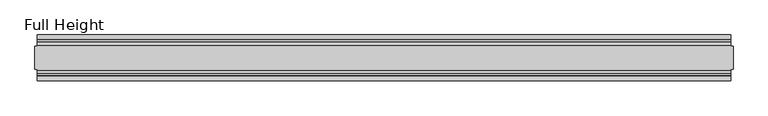
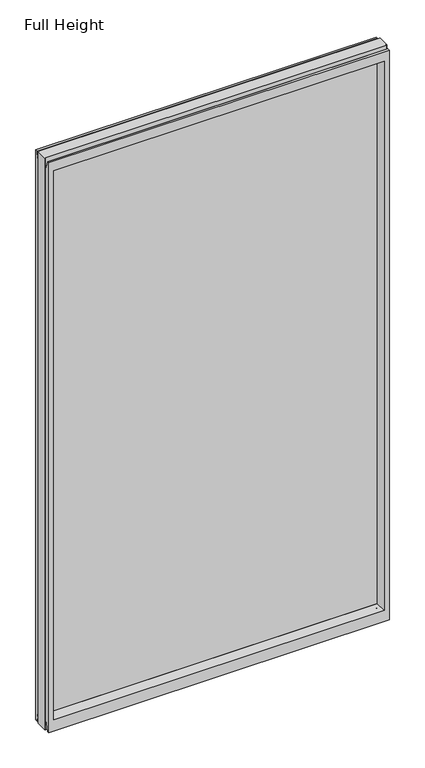
"""IFC4 building model written with IfcOpenShell, lengths in millimetres: plate geometry, Full Height."""

from ifc_helpers import new_model, si_unit, frame, origin, place, context, project, spatial, polyline, circle_curve, outline, extrude, source, transform, mapped, element, save
from ifc_brep_helpers import plane_surface, cylinder_surface, revolved_surface, advanced_brep


def full_height_14ec4e4e(model_context):
    return source(origin(), model_context, "Body", "SolidModel", [
        advanced_brep(
        [(762.0, 25.146, 2688.336), (757.428, 25.146, 2688.336), (757.428, 26.67, 2688.336), (-757.428, 26.67, 2688.336), (-757.428, 25.146, 2688.336), (-762.0, 25.146, 2688.336), (-762.0, -25.146, 2688.336), (-757.428, -25.146, 2688.336), (-757.428, -26.67, 2688.336), (757.428, -26.67, 2688.336), (757.428, -25.146, 2688.336), (762.0, -25.146, 2688.336), (762.0, 25.146, 0.0), (762.0, -25.146, 0.0), (757.428, -25.146, 0.0), (757.428, -26.67, 0.0), (-757.428, -26.67, 0.0), (-757.428, -25.146, 0.0), (-762.0, -25.146, 0.0), (-762.0, 25.146, 0.0), (-757.428, 25.146, 0.0), (-757.428, 26.67, 0.0), (757.428, 26.67, 0.0), (757.428, 25.146, 0.0), (-757.428, 40.7946686, 0.0), (-757.428, 50.0, 0.0), (757.428, 50.0, 0.0), (757.428, 40.7946686, 0.0), (-757.428, 26.67, 36.4542208), (757.428, 26.67, 36.4542208), (-757.428, -26.67, 36.4542208), (-757.428, -34.2686707, 36.8568054), (-757.428, -36.9464913, 11.6561909), (-757.428, -39.043018, 8.6755976), (-757.428, -39.5246686, 7.9074686), (-757.428, -39.5246686, 1.27), (-757.428, -40.7946686, 0.0), (-757.428, -50.0, 0.0), (-757.428, -50.0, 2679.192), (-757.428, -39.9371387, 2679.192), (-757.428, -39.1867152, 2678.5623199), (-757.428, -34.2321175, 2650.4634004), (-757.428, -26.67, 2651.125), (-757.428, 39.5246686, 1.27), (-757.428, 39.5246686, 7.9074686), (-757.428, 39.043018, 8.6755976), (-757.428, 36.9464913, 11.6561909), (-757.428, 34.2686707, 36.8568054), (-757.428, 26.67, 2651.125), (-757.428, 34.2321175, 2650.4634004), (-757.428, 39.1867152, 2678.5623199), (-757.428, 39.9371387, 2679.192), (-757.428, 50.0, 2679.192), (757.428, -50.0, 0.0), (757.428, -50.0, 2679.192), (-735.33, -50.0, 2634.615), (735.33, -50.0, 2634.615), (735.33, -50.0, 52.8372208), (-735.33, -50.0, 52.8372208), (757.428, 50.0, 2679.192), (-735.33, 50.0, 52.8372208), (735.33, 50.0, 52.8372208), (735.33, 50.0, 2634.615), (-735.33, 50.0, 2634.615), (-729.361, -6.1006519, 58.8062208), (-729.361, -6.1006519, 2628.646), (-729.361, 6.1006519, 2628.646), (-729.361, 6.1006519, 58.8062208), (729.361, 6.1006519, 58.8062208), (729.361, 6.1006519, 2628.646), (729.361, -6.1006519, 2628.646), (729.361, -6.1006519, 58.8062208), (757.428, -40.7946686, 0.0), (757.428, -39.5246686, 1.27), (757.428, -39.5246686, 7.9074686), (757.428, -39.043018, 8.6755976), (757.428, -36.9464913, 11.6561909), (757.428, -34.2686707, 36.8568054), (757.428, -26.67, 36.4542208), (757.428, -26.67, 2651.125), (757.428, -34.2321175, 2650.4634004), (757.428, -39.1867152, 2678.5623199), (757.428, -39.9371387, 2679.192), (757.428, 39.9371387, 2679.192), (757.428, 39.1867152, 2678.5623199), (757.428, 34.2321175, 2650.4634004), (757.428, 26.67, 2651.125), (757.428, 34.2686707, 36.8568054), (757.428, 36.9464913, 11.6561909), (757.428, 39.043018, 8.6755976), (757.428, 39.5246686, 7.9074686), (757.428, 39.5246686, 1.27)],
        [
            (0, 1),
            (1, 2),
            (2, 3),
            (3, 4),
            (4, 5),
            (5, 6),
            (6, 7),
            (7, 8),
            (8, 9),
            (9, 10),
            (10, 11),
            (11, 0),
            (12, 13),
            (13, 14),
            (14, 15),
            (15, 16),
            (16, 17),
            (17, 18),
            (18, 19),
            (19, 20),
            (20, 21),
            (21, 22),
            (22, 23),
            (23, 12),
            (23, 1),
            (0, 12),
            (10, 14),
            (13, 11),
            (5, 19),
            (18, 6),
            (17, 7),
            (4, 20),
            (24, 25),
            (25, 26),
            (26, 27),
            (27, 24),
            (21, 28),
            (28, 29),
            (29, 22),
            (16, 30),
            (30, 31, circle_curve(frame((-757.428, -30.48, 36.4542208), z_axis=(1.0, 0.0, 0.0), x_axis=(0.0, -1.0, 0.0)), 3.81)),
            (31, 32),
            (32, 33, circle_curve(frame((-757.428, -40.6770502, 12.0526006), z_axis=(-1.0, 0.0, 0.0), x_axis=(0.0, -1.0, 0.0)), 3.751561)),
            (33, 34, circle_curve(frame((-757.428, -38.671343, 7.9074686), z_axis=(1.0, 0.0, 0.0), x_axis=(0.0, -1.0, 0.0)), 0.8533256)),
            (34, 35),
            (35, 36, circle_curve(frame((-757.428, -40.7946686, 1.27), z_axis=(-1.0, 0.0, 0.0), x_axis=(0.0, -1.0, 0.0)), 1.27)),
            (36, 37),
            (37, 38),
            (38, 39),
            (39, 40, circle_curve(frame((-757.428, -39.9371387, 2678.43), z_axis=(-1.0, 0.0, 0.0), x_axis=(0.0, -1.0, 0.0)), 0.762)),
            (40, 41),
            (41, 42, circle_curve(frame((-757.428, -30.48, 2651.125), z_axis=(1.0, 0.0, 0.0), x_axis=(0.0, -1.0, 0.0)), 3.81)),
            (42, 8),
            (24, 43, circle_curve(frame((-757.428, 40.7946686, 1.27), z_axis=(-1.0, 0.0, 0.0), x_axis=(0.0, -1.0, 0.0)), 1.27)),
            (43, 44),
            (44, 45, circle_curve(frame((-757.428, 38.671343, 7.9074686), z_axis=(1.0, 0.0, 0.0), x_axis=(0.0, -1.0, 0.0)), 0.8533256)),
            (45, 46, circle_curve(frame((-757.428, 40.6770502, 12.0526006), z_axis=(-1.0, 0.0, 0.0), x_axis=(0.0, -1.0, 0.0)), 3.751561)),
            (46, 47),
            (47, 28, circle_curve(frame((-757.428, 30.48, 36.4542208), z_axis=(1.0, 0.0, 0.0), x_axis=(0.0, -1.0, 0.0)), 3.81)),
            (3, 48),
            (48, 49, circle_curve(frame((-757.428, 30.48, 2651.125), z_axis=(1.0, 0.0, 0.0), x_axis=(0.0, -1.0, 0.0)), 3.81)),
            (49, 50),
            (50, 51, circle_curve(frame((-757.428, 39.9371387, 2678.43), z_axis=(-1.0, 0.0, 0.0), x_axis=(0.0, -1.0, 0.0)), 0.762)),
            (51, 52),
            (52, 25),
            (37, 53),
            (53, 54),
            (54, 38),
            (55, 56),
            (56, 57),
            (57, 58),
            (58, 55),
            (52, 59),
            (59, 26),
            (60, 61),
            (61, 62),
            (62, 63),
            (63, 60),
            (58, 64),
            (64, 65),
            (65, 55),
            (63, 66),
            (66, 67),
            (67, 60),
            (61, 68),
            (68, 69),
            (69, 62),
            (70, 71),
            (71, 57),
            (56, 70),
            (53, 72),
            (72, 73, circle_curve(frame((757.428, -40.7946686, 1.27), z_axis=(1.0, 0.0, 0.0), x_axis=(0.0, -1.0, 0.0)), 1.27)),
            (73, 74),
            (74, 75, circle_curve(frame((757.428, -38.671343, 7.9074686), z_axis=(-1.0, 0.0, 0.0), x_axis=(0.0, -1.0, 0.0)), 0.8533256)),
            (75, 76, circle_curve(frame((757.428, -40.6770502, 12.0526006), z_axis=(1.0, 0.0, 0.0), x_axis=(0.0, -1.0, 0.0)), 3.751561)),
            (76, 77),
            (77, 78, circle_curve(frame((757.428, -30.48, 36.4542208), z_axis=(-1.0, 0.0, 0.0), x_axis=(0.0, -1.0, 0.0)), 3.81)),
            (78, 15),
            (9, 79),
            (79, 80, circle_curve(frame((757.428, -30.48, 2651.125), z_axis=(-1.0, 0.0, 0.0), x_axis=(0.0, -1.0, 0.0)), 3.81)),
            (80, 81),
            (81, 82, circle_curve(frame((757.428, -39.9371387, 2678.43), z_axis=(1.0, 0.0, 0.0), x_axis=(0.0, -1.0, 0.0)), 0.762)),
            (82, 54),
            (59, 83),
            (83, 84, circle_curve(frame((757.428, 39.9371387, 2678.43), z_axis=(1.0, 0.0, 0.0), x_axis=(0.0, -1.0, 0.0)), 0.762)),
            (84, 85),
            (85, 86, circle_curve(frame((757.428, 30.48, 2651.125), z_axis=(-1.0, 0.0, 0.0), x_axis=(0.0, -1.0, 0.0)), 3.81)),
            (86, 2),
            (29, 87, circle_curve(frame((757.428, 30.48, 36.4542208), z_axis=(-1.0, 0.0, 0.0), x_axis=(0.0, -1.0, 0.0)), 3.81)),
            (87, 88),
            (88, 89, circle_curve(frame((757.428, 40.6770502, 12.0526006), z_axis=(1.0, 0.0, 0.0), x_axis=(0.0, -1.0, 0.0)), 3.751561)),
            (89, 90, circle_curve(frame((757.428, 38.671343, 7.9074686), z_axis=(-1.0, 0.0, 0.0), x_axis=(0.0, -1.0, 0.0)), 0.8533256)),
            (90, 91),
            (91, 27, circle_curve(frame((757.428, 40.7946686, 1.27), z_axis=(1.0, 0.0, 0.0), x_axis=(0.0, -1.0, 0.0)), 1.27)),
            (91, 43),
            (90, 44),
            (89, 45),
            (88, 46),
            (87, 47),
            (78, 30),
            (31, 77),
            (76, 32),
            (75, 33),
            (74, 34),
            (73, 35),
            (72, 36),
            (71, 64),
            (67, 68),
            (86, 48),
            (85, 49),
            (84, 50),
            (83, 51),
            (69, 66),
            (65, 70),
            (82, 39),
            (81, 40),
            (80, 41),
            (79, 42),
            (65, 66),
            (69, 70),
            (71, 68),
            (67, 64),
        ],
        [
            plane_surface(frame((757.428, 25.146, 2688.336), z_axis=(0.0, 0.0, 1.0), x_axis=(-1.0, 0.0, 0.0))),
            plane_surface(frame((757.428, 25.146, 0.0), z_axis=(0.0, 0.0, -1.0), x_axis=(1.0, 0.0, 0.0))),
            plane_surface(frame((762.0, 25.146, 2688.336), z_axis=(0.0, 1.0, 0.0), x_axis=(0.0, 0.0, -1.0))),
            plane_surface(frame((757.428, -25.146, 2688.336), z_axis=(0.0, -1.0, 0.0), x_axis=(0.0, 0.0, -1.0))),
            plane_surface(frame((762.0, -25.146, 2688.336), z_axis=(1.0, 0.0, 0.0), x_axis=(0.0, 0.0, -1.0))),
            plane_surface(frame((-762.0, 25.146, 2688.336), z_axis=(-1.0, 0.0, 0.0), x_axis=(0.0, 0.0, -1.0))),
            plane_surface(frame((-762.0, -25.146, 2688.336), z_axis=(0.0, -1.0, 0.0), x_axis=(0.0, 0.0, -1.0))),
            plane_surface(frame((-757.428, 25.146, 2688.336), z_axis=(0.0, 1.0, 0.0), x_axis=(0.0, 0.0, -1.0))),
            plane_surface(frame((-757.428, 50.0, 0.0), z_axis=(0.0, 0.0, -1.0), x_axis=(1.0, 0.0, 0.0))),
            plane_surface(frame((-757.428, 26.67, 36.4542208), z_axis=(0.0, 1.0, 0.0), x_axis=(1.0, 0.0, 0.0))),
            plane_surface(frame((-757.428, 50.0, 2646.4006), z_axis=(-1.0, 0.0, 0.0), x_axis=(0.0, 0.0, -1.0))),
            plane_surface(frame((-757.428, -50.0, 2646.4006), z_axis=(0.0, -1.0, 0.0), x_axis=(0.0, 0.0, -1.0))),
            plane_surface(frame((-735.33, 50.0, 2646.4006), z_axis=(0.0, 1.0, 0.0), x_axis=(0.0, 0.0, -1.0))),
            plane_surface(frame((-735.33, -50.0, 2646.4006), z_axis=(0.990882294353361, -0.13473039277393772, 0.0), x_axis=(0.0, 0.0, -1.0))),
            plane_surface(frame((-729.361, 6.1006519, 2646.4006), z_axis=(0.990882294353361, 0.13473039277393709, 0.0), x_axis=(0.0, 0.0, -1.0))),
            plane_surface(frame((735.33, 50.0, 2646.4006), z_axis=(-0.9908822943533632, 0.1347303927739214, 0.0), x_axis=(0.0, 0.0, -1.0))),
            plane_surface(frame((729.361, -6.1006519, 2646.4006), z_axis=(-0.990882294353359, -0.13473039277395266, 0.0), x_axis=(0.0, 0.0, -1.0))),
            plane_surface(frame((757.428, -50.0, 2646.4006), z_axis=(1.0, 0.0, 0.0), x_axis=(0.0, 0.0, -1.0))),
            cylinder_surface(frame((757.428, 40.7946686, 1.27), z_axis=(-1.0, 0.0, 0.0), x_axis=(0.0, -1.0, 0.0)), 1.27),
            plane_surface(frame((-757.428, 39.5246686, 1.27), z_axis=(0.0, -1.0, 0.0), x_axis=(1.0, 0.0, 0.0))),
            revolved_surface(polyline([(757.428, 37.8180174, 7.9074686), (-757.428, 37.8180174, 7.9074686)]), (757.428, 38.671343, 7.9074686), (1.0, 0.0, 0.0)),
            cylinder_surface(frame((757.428, 40.6770502, 12.0526006), z_axis=(-1.0, 0.0, 0.0), x_axis=(0.0, -1.0, 0.0)), 3.751561),
            plane_surface(frame((-757.428, 36.9464913, 11.6561909), z_axis=(0.0, -0.994401756086666, -0.1056652615184141), x_axis=(1.0, 0.0, 0.0))),
            plane_surface(frame((-757.428, -26.67, 0.0), z_axis=(0.0, -1.0, 0.0), x_axis=(1.0, 0.0, 0.0))),
            plane_surface(frame((-757.428, -34.2686707, 36.8568054), z_axis=(0.0, 0.9944017560866261, -0.10566526151879052), x_axis=(1.0, 0.0, 0.0))),
            cylinder_surface(frame((757.428, -40.6770502, 12.0526006), z_axis=(-1.0, 0.0, 0.0), x_axis=(0.0, -1.0, 0.0)), 3.751561),
            revolved_surface(polyline([(757.428, -39.5246686, 7.9074686), (-757.428, -39.5246686, 7.9074686)]), (757.428, -38.671343, 7.9074686), (1.0, 0.0, 0.0)),
            plane_surface(frame((-757.428, -39.5246686, 7.9074686), z_axis=(0.0, 1.0, 0.0), x_axis=(1.0, 0.0, 0.0))),
            cylinder_surface(frame((757.428, -40.7946686, 1.27), z_axis=(-1.0, 0.0, 0.0), x_axis=(0.0, -1.0, 0.0)), 1.27),
            plane_surface(frame((-757.428, -40.7946686, 0.0), z_axis=(0.0, 0.0, -1.0), x_axis=(1.0, 0.0, 0.0))),
            plane_surface(frame((-757.428, -50.0, 52.8372208), z_axis=(0.0, -0.13473039277394938, 0.9908822943533593), x_axis=(1.0, 0.0, 0.0))),
            plane_surface(frame((-757.428, 6.1006519, 58.8062208), z_axis=(0.0, 0.1347303927739947, 0.9908822943533532), x_axis=(1.0, 0.0, 0.0))),
            revolved_surface(polyline([(757.428, 26.67, 36.4542208), (-757.428, 26.67, 36.4542208)]), (757.428, 30.48, 36.4542208), (1.0, 0.0, 0.0)),
            revolved_surface(polyline([(757.428, -34.29, 36.4542208), (-757.428, -34.29, 36.4542208)]), (757.428, -30.48, 36.4542208), (1.0, 0.0, 0.0)),
            plane_surface(frame((-757.428, 26.67, 2688.336), z_axis=(0.0, 1.0, 0.0), x_axis=(1.0, 0.0, 0.0))),
            revolved_surface(polyline([(757.4279999999999, 26.67, 2651.125), (-757.428, 26.67, 2651.125)]), (-762.0, 30.48, 2651.125), (1.0, 0.0, 0.0)),
            plane_surface(frame((-757.428, 34.2321175, 2650.4634004), z_axis=(0.0, -0.9848077530113104, 0.17364817767202134), x_axis=(1.0, 0.0, 0.0))),
            cylinder_surface(frame((-762.0, 39.9371387, 2678.43), z_axis=(-1.0, 0.0, 0.0), x_axis=(0.0, -1.0, 0.0)), 0.762),
            plane_surface(frame((-757.428, 39.9371387, 2679.192), z_axis=(0.0, 0.0, 1.0), x_axis=(1.0, 0.0, 0.0))),
            plane_surface(frame((-757.428, 50.0, 2634.615), z_axis=(0.0, 0.13473039277344978, -0.9908822943534272), x_axis=(1.0, 0.0, 0.0))),
            plane_surface(frame((-757.428, -6.1006519, 2628.646), z_axis=(0.0, -0.13473039277247661, -0.9908822943535596), x_axis=(1.0, 0.0, 0.0))),
            plane_surface(frame((-757.428, -50.0, 2679.192), z_axis=(0.0, 0.0, 1.0), x_axis=(1.0, 0.0, 0.0))),
            cylinder_surface(frame((-762.0, -39.9371387, 2678.43), z_axis=(-1.0, 0.0, 0.0), x_axis=(0.0, -1.0, 0.0)), 0.762),
            plane_surface(frame((-757.428, -39.1867152, 2678.5623199), z_axis=(0.0, 0.9848077530103815, 0.1736481776772894), x_axis=(1.0, 0.0, 0.0))),
            revolved_surface(polyline([(757.4279999999999, -34.29, 2651.125), (-757.428, -34.29, 2651.125)]), (-762.0, -30.48, 2651.125), (1.0, 0.0, 0.0)),
            plane_surface(frame((-757.428, -26.67, 2651.125), z_axis=(0.0, -1.0, 0.0), x_axis=(1.0, 0.0, 0.0))),
            plane_surface(frame((-757.428, 6.1006519, 2628.646), z_axis=(0.0, 0.0, -1.0), x_axis=(1.0, 0.0, 0.0))),
            plane_surface(frame((-757.428, -6.1006519, 58.8062208), z_axis=(0.0, 0.0, 1.0), x_axis=(1.0, 0.0, 0.0))),
            plane_surface(frame((-729.361, -6.1006519, 2646.4006), z_axis=(1.0, 0.0, 0.0), x_axis=(0.0, 0.0, -1.0))),
            plane_surface(frame((729.361, 6.1006519, 2646.4006), z_axis=(-1.0, 0.0, 0.0), x_axis=(0.0, 0.0, -1.0))),
        ],
        [
            (0, [[1, 2, 3, 4, 5, 6, 7, 8, 9, 10, 11, 12]]),
            (1, [[13, 14, 15, 16, 17, 18, 19, 20, 21, 22, 23, 24]]),
            (2, [[25, -1, 26, -24]]),
            (3, [[-11, 27, -14, 28]]),
            (4, [[-12, -28, -13, -26]]),
            (5, [[-6, 29, -19, 30]]),
            (6, [[31, -7, -30, -18]]),
            (7, [[-5, 32, -20, -29]]),
            (8, [[33, 34, 35, 36]]),
            (9, [[37, 38, 39, -22]]),
            (10, [[-17, 40, 41, 42, 43, 44, 45, 46, 47, 48, 49, 50, 51, 52, 53, -8, -31]]),
            (10, [[-33, 54, 55, 56, 57, 58, 59, -37, -21, -32, -4, 60, 61, 62, 63, 64, 65]]),
            (11, [[-48, 66, 67, 68], [69, 70, 71, 72]]),
            (12, [[-65, 73, 74, -34], [75, 76, 77, 78]]),
            (13, [[-72, 79, 80, 81]]),
            (14, [[-78, 82, 83, 84]]),
            (15, [[-76, 85, 86, 87]]),
            (16, [[88, 89, -70, 90]]),
            (17, [[-67, 91, 92, 93, 94, 95, 96, 97, 98, -15, -27, -10, 99, 100, 101, 102, 103]]),
            (17, [[-74, 104, 105, 106, 107, 108, -2, -25, -23, -39, 109, 110, 111, 112, 113, 114, -35]]),
            (18, [[-54, -36, -114, 115]]),
            (19, [[-55, -115, -113, 116]]),
            (20, [[-56, -116, -112, 117]]),
            (21, [[-57, -117, -111, 118]]),
            (22, [[-58, -118, -110, 119]]),
            (23, [[-40, -16, -98, 120]]),
            (24, [[-42, 121, -96, 122]]),
            (25, [[-43, -122, -95, 123]]),
            (26, [[-44, -123, -94, 124]]),
            (27, [[-45, -124, -93, 125]]),
            (28, [[-46, -125, -92, 126]]),
            (29, [[-47, -126, -91, -66]]),
            (30, [[-71, -89, 127, -79]]),
            (31, [[-75, -84, 128, -85]]),
            (32, [[-59, -119, -109, -38]]),
            (33, [[-41, -120, -97, -121]]),
            (34, [[-60, -3, -108, 129]]),
            (35, [[-61, -129, -107, 130]]),
            (36, [[-62, -130, -106, 131]]),
            (37, [[-63, -131, -105, 132]]),
            (38, [[-64, -132, -104, -73]]),
            (39, [[-77, -87, 133, -82]]),
            (40, [[-69, -81, 134, -90]]),
            (41, [[-49, -68, -103, 135]]),
            (42, [[-50, -135, -102, 136]]),
            (43, [[-51, -136, -101, 137]]),
            (44, [[-52, -137, -100, 138]]),
            (45, [[-53, -138, -99, -9]]),
            (46, [[-134, 139, -133, 140]]),
            (47, [[-127, 141, -128, 142]]),
            (48, [[-83, -139, -80, -142]]),
            (49, [[-88, -140, -86, -141]]),
        ],
    ),
        extrude(outline(polyline([(-729.361, 4.826), (729.361, 4.826), (729.361, -4.826), (-729.361, -4.826), (-729.361, 4.826)])), frame((0.0, 0.0, 58.8062208), z_axis=(0.0, 0.0, 1.0), x_axis=(1.0, 0.0, 0.0)), (0.0, 0.0, 1.0), 2569.8397792),
    ])


if __name__ == "__main__":
    model = new_model("IFC4")
    model_context = context("Model", 3, world=origin())
    ifc_project = project(units=[si_unit("LENGTHUNIT", "METRE", prefix="MILLI")], contexts=[model_context])
    site = spatial("IfcSite", under=ifc_project)
    building = spatial("IfcBuilding", under=site)
    placement = place(None, origin())
    full_height_shape = full_height_14ec4e4e(model_context)
    element("IfcPlate", 1, ObjectType="Full Height", at=placement, inside=building, context=model_context, shape_type="MappedRepresentation", body=[
        mapped(full_height_shape, transform((0.0, 0.0, 0.0), x_axis=(1.0, 0.0, 0.0), y_axis=(0.0, 1.0, 0.0), z_axis=(0.0, 0.0, 1.0))),
    ])
    save(model, "model.ifc")
